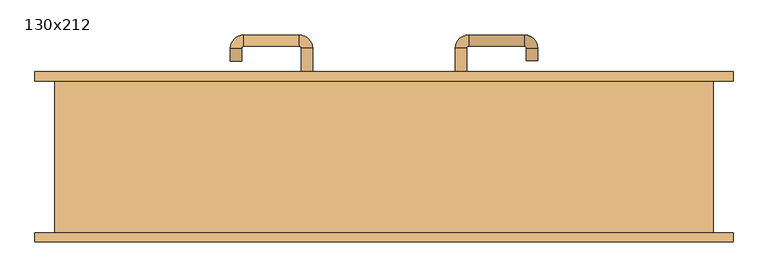
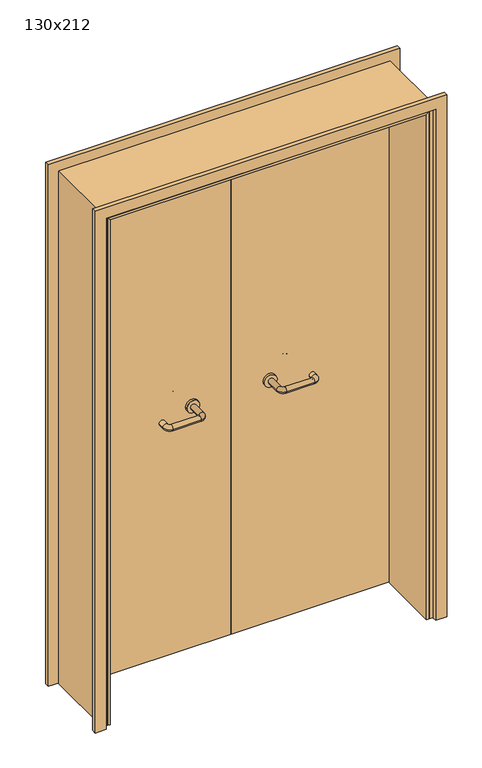
"""IFC4 building model written with IfcOpenShell, lengths in millimetres: door geometry, 130x212."""

import ifcopenshell
import ifcopenshell.guid

model = None  # the IFC model being written
_history = None  # IfcOwnerHistory: only IFC2X3 demands one
_inside = {}  # id of a spatial element -> (the spatial element, [elements in it])
_under = {}  # id of a project, library or spatial element -> (it, [spatial elements below it])
_declared = {}  # id of a project -> (the project, [libraries it declares])
_typed = {}  # id of a type object -> (the type object, [elements of that type])
_made_of = {}  # id of a material, layer set ... -> (it, [elements and type objects made of it])


def new_model(schema):
    """Start an empty IFC model of exactly this schema.

    Asked for "IFC4X3", IfcOpenShell would pick the latest addendum, in which some entities
    have other attributes; the version numbers below select the first issue.
    IFC2X3 requires an IfcOwnerHistory on every rooted entity: one is made here for all.
    """
    global model, _history
    if schema == "IFC4X3":
        model = ifcopenshell.file(schema_version=(4, 3, 0, 0))
    else:
        model = ifcopenshell.file(schema=schema)
    _inside.clear()
    _under.clear()
    _declared.clear()
    _typed.clear()
    _made_of.clear()
    _history = None
    if model.schema == "IFC2X3":
        org = make("IfcOrganization", Name="unknown")
        user = make(
            "IfcPersonAndOrganization",
            ThePerson=make("IfcPerson", FamilyName="unknown"),
            TheOrganization=org,
        )
        app = make(
            "IfcApplication",
            ApplicationDeveloper=org,
            Version="unknown",
            ApplicationFullName="unknown",
            ApplicationIdentifier="unknown",
        )
        _history = make(
            "IfcOwnerHistory",
            OwningUser=user,
            OwningApplication=app,
            ChangeAction="ADDED",
            CreationDate=0,
        )
    return model


def make(cls, **values):
    """One entity of the class cls with the attributes given. An attribute that is None is left unset."""
    return model.create_entity(
        cls, **{name: value for name, value in values.items() if value is not None}
    )


def rooted(cls, **values):
    """An entity with a GlobalId (a new one), such as an element, a storey or a relation."""
    return make(cls, GlobalId=ifcopenshell.guid.new(), OwnerHistory=_history, **values)


def si_unit(unit_type, name, prefix=None):
    """IfcSIUnit, for example si_unit("LENGTHUNIT", "METRE", prefix="MILLI")."""
    return make("IfcSIUnit", UnitType=unit_type, Prefix=prefix, Name=name)


def assignment(units):
    """IfcUnitAssignment: the units of a project."""
    return None if units is None else make("IfcUnitAssignment", Units=units)


def point(xyz):
    """IfcCartesianPoint."""
    return None if xyz is None else make("IfcCartesianPoint", Coordinates=xyz)


def direction(xyz):
    """IfcDirection."""
    return None if xyz is None else make("IfcDirection", DirectionRatios=xyz)


def frame(location, z_axis=None, x_axis=None):
    """IfcAxis2Placement3D, a coordinate frame: its origin and axes. An axis left out is left unset."""
    return make(
        "IfcAxis2Placement3D",
        Location=point(location),
        Axis=direction(z_axis),
        RefDirection=direction(x_axis),
    )


def frame_2d(location, x_axis=None):
    """IfcAxis2Placement2D, a coordinate frame in the plane: its origin and x axis."""
    return make(
        "IfcAxis2Placement2D", Location=point(location), RefDirection=direction(x_axis)
    )


def origin():
    """The frame at (0, 0, 0) with its axes left unset."""
    return frame((0.0, 0.0, 0.0))


def place(relative_to, where):
    """IfcLocalPlacement: puts the frame where relative to a parent placement (None: the world)."""
    return make(
        "IfcLocalPlacement", PlacementRelTo=relative_to, RelativePlacement=where
    )


def context(
    kind, dimensions, precision=None, world=None, true_north=None, identifier=None
):
    """IfcGeometricRepresentationContext, for example the 3D "Model" context."""
    return make(
        "IfcGeometricRepresentationContext",
        ContextIdentifier=identifier,
        ContextType=kind,
        CoordinateSpaceDimension=dimensions,
        Precision=precision,
        WorldCoordinateSystem=world,
        TrueNorth=true_north,
    )


def project(units=None, contexts=None):
    """IfcProject with its units and contexts."""
    return rooted(
        "IfcProject",
        Name="project",
        RepresentationContexts=contexts,
        UnitsInContext=assignment(units),
    )


def spatial(cls, under=None, at=None, **own):
    """A site, building, storey or space (cls), placed at a placement, below another one or the project."""
    s = rooted(cls, ObjectPlacement=at, **own)
    if under is not None:
        _under.setdefault(under.id(), (under, []))[1].append(s)
    return s


def polyline(points):
    """IfcPolyline through the points."""
    return make("IfcPolyline", Points=[point(p) for p in points])


def circle_curve(where, radius):
    """IfcCircle in the frame where."""
    return make("IfcCircle", Position=where, Radius=radius)


def ellipse_curve(where, semi_axis1, semi_axis2):
    """IfcEllipse in the frame where."""
    return make(
        "IfcEllipse", Position=where, SemiAxis1=semi_axis1, SemiAxis2=semi_axis2
    )


def trimmed(basis, trim1, trim2, sense, master):
    """IfcTrimmedCurve: the piece of a basis curve between two trims."""
    return make(
        "IfcTrimmedCurve",
        BasisCurve=basis,
        Trim1=trim1,
        Trim2=trim2,
        SenseAgreement=sense,
        MasterRepresentation=master,
    )


def segment(curve, same_sense, transition):
    """IfcCompositeCurveSegment."""
    return make(
        "IfcCompositeCurveSegment",
        Transition=transition,
        SameSense=same_sense,
        ParentCurve=curve,
    )


def composite_curve(segments, self_intersect=None):
    """IfcCompositeCurve: segments joined end to end."""
    return make("IfcCompositeCurve", Segments=segments, SelfIntersect=self_intersect)


def outline(outer, holes=None, kind="AREA"):
    """IfcArbitraryClosedProfileDef: a profile drawn as a closed curve; with holes, ...WithVoids."""
    if holes is None:
        return make("IfcArbitraryClosedProfileDef", ProfileType=kind, OuterCurve=outer)
    return make(
        "IfcArbitraryProfileDefWithVoids",
        ProfileType=kind,
        OuterCurve=outer,
        InnerCurves=holes,
    )


def extrude(swept, where, along, depth):
    """IfcExtrudedAreaSolid: the profile swept, set in the frame where, extruded along a direction by depth."""
    return make(
        "IfcExtrudedAreaSolid",
        SweptArea=swept,
        Position=where,
        ExtrudedDirection=direction(along),
        Depth=depth,
    )


def faces_of(points, faces, orient=None, outer=None):
    """IfcFace entities. A face is a list of loops; a loop is a list of indices into points, from 0.

    orient and outer hold one flag for each loop. By default every Orientation is true, the
    first loop of a face is its IfcFaceOuterBound and the others are IfcFaceBound.
    """
    made = []
    for i, loops in enumerate(faces):
        bounds = []
        for j, loop in enumerate(loops):
            is_outer = j == 0 if outer is None else outer[i][j]
            bounds.append(
                make(
                    "IfcFaceOuterBound" if is_outer else "IfcFaceBound",
                    Bound=make("IfcPolyLoop", Polygon=[points[k] for k in loop]),
                    Orientation=True if orient is None else orient[i][j],
                )
            )
        made.append(make("IfcFace", Bounds=bounds))
    return made


def faceted_brep(points, faces, orient=None, outer=None, voids=None):
    """IfcFacetedBrep: a solid bounded by flat faces; with voids (closed shells), ...WithVoids."""
    shared = [point(p) for p in points]
    hull = make("IfcClosedShell", CfsFaces=faces_of(shared, faces, orient, outer))
    if voids is None:
        return make("IfcFacetedBrep", Outer=hull)
    return make(
        "IfcFacetedBrepWithVoids",
        Outer=hull,
        Voids=[
            make(cls, CfsFaces=faces_of(shared, fs, o, b)) for cls, fs, o, b in voids
        ],
    )


def shape(context_of_items, identifier, shape_type, items):
    """IfcShapeRepresentation: the items that make up one representation, for example the "Body"."""
    return make(
        "IfcShapeRepresentation",
        ContextOfItems=context_of_items,
        RepresentationIdentifier=identifier,
        RepresentationType=shape_type,
        Items=items,
    )


def source(mapping_origin, context_of_items, identifier, shape_type, items):
    """IfcRepresentationMap: a shape defined once, which mapped items show again and again."""
    return make(
        "IfcRepresentationMap",
        MappingOrigin=mapping_origin,
        MappedRepresentation=shape(context_of_items, identifier, shape_type, items),
    )


def transform(
    local_origin,
    x_axis=None,
    y_axis=None,
    z_axis=None,
    scale=None,
    scale2=None,
    scale3=None,
    uniform=True,
):
    """IfcCartesianTransformationOperator3D, or its non-uniform kind. x_axis, y_axis, z_axis: its Axis1, 2, 3."""
    if uniform:
        return make(
            "IfcCartesianTransformationOperator3D",
            Axis1=direction(x_axis),
            Axis2=direction(y_axis),
            LocalOrigin=point(local_origin),
            Scale=scale,
            Axis3=direction(z_axis),
        )
    return make(
        "IfcCartesianTransformationOperator3DnonUniform",
        Axis1=direction(x_axis),
        Axis2=direction(y_axis),
        LocalOrigin=point(local_origin),
        Scale=scale,
        Axis3=direction(z_axis),
        Scale2=scale2,
        Scale3=scale3,
    )


def mapped(mapping_source, mapping_target):
    """IfcMappedItem: shows the shape of a source again, moved by a transform."""
    return make(
        "IfcMappedItem", MappingSource=mapping_source, MappingTarget=mapping_target
    )


def made_of(thing, what):
    """Note that an element or type object is made of a material, layer set ...; save() writes the relation."""
    if what is not None:
        _made_of.setdefault(what.id(), (what, []))[1].append(thing)
    return thing


def element(
    cls,
    number,
    at=None,
    inside=None,
    cuts=None,
    type_object=None,
    material=None,
    context=None,
    identifier="Body",
    shape_type=None,
    held_by="IfcProductDefinitionShape",
    body=None,
    shapes=None,
    **own,
):
    """One element of the class cls, such as IfcWall. Its Tag is "e" and its number.

    at: its placement. inside: the storey or other place that contains it. cuts: it is an
    opening in that element (IfcRelVoidsElement). A single representation is given by context,
    identifier, shape_type and body (its items); several are given by shapes. held_by: the class
    of the entity that holds the representations. save() writes the other relations.
    """
    e = rooted(cls, Tag="e%d" % number, ObjectPlacement=at, **own)
    if body is not None:
        shapes = [shape(context, identifier, shape_type, body)]
    if shapes is not None:
        e.Representation = make(held_by, Representations=shapes)
    if inside is not None:
        _inside.setdefault(inside.id(), (inside, []))[1].append(e)
    if cuts is not None:
        rooted(
            "IfcRelVoidsElement", RelatingBuildingElement=cuts, RelatedOpeningElement=e
        )
    if type_object is not None:
        _typed.setdefault(type_object.id(), (type_object, []))[1].append(e)
    return made_of(e, material)


def aggregate(whole, parts):
    """IfcRelAggregates: a whole, such as a stair, and the parts it consists of."""
    return rooted("IfcRelAggregates", RelatingObject=whole, RelatedObjects=parts)


def save(model, path):
    """Write the relations noted so far, then the file.

    IfcRelAggregates (storeys below a building ...), IfcRelContainedInSpatialStructure (elements
    in a storey), IfcRelDefinesByType, IfcRelAssociatesMaterial and IfcRelDeclares: one each for
    every whole, place, type object, material and project.
    """
    for whole, parts in _under.values():
        aggregate(whole, parts)
    for where, things in _inside.values():
        rooted(
            "IfcRelContainedInSpatialStructure",
            RelatedElements=things,
            RelatingStructure=where,
        )
    for kind, things in _typed.values():
        rooted("IfcRelDefinesByType", RelatedObjects=things, RelatingType=kind)
    for what, things in _made_of.values():
        rooted("IfcRelAssociatesMaterial", RelatedObjects=things, RelatingMaterial=what)
    for by, libraries in _declared.values():
        rooted("IfcRelDeclares", RelatingContext=by, RelatedDefinitions=libraries)
    model.write(path)


def plane_surface(at):
    """IfcPlane: the flat surface through the origin of the frame at, square to its z axis."""
    return make("IfcPlane", Position=at)


def cylinder_surface(at, radius):
    """IfcCylindricalSurface: all points at the distance radius from the z axis of the frame at."""
    return make("IfcCylindricalSurface", Position=at, Radius=radius)


def revolved_surface(curve, axis_point, axis_direction):
    """IfcSurfaceOfRevolution: the curve turned about the line through axis_point along axis_direction."""
    return make(
        "IfcSurfaceOfRevolution",
        SweptCurve=make("IfcArbitraryOpenProfileDef", ProfileType="CURVE", Curve=curve),
        AxisPosition=make("IfcAxis1Placement", Location=point(axis_point), Axis=direction(axis_direction)),
    )


def advanced_brep(points, edges, surfaces, faces):
    """IfcAdvancedBrep: a solid bounded by faces that lie on surfaces and meet in shared edges.

    An edge is (start, end): straight between two places in points (the first is 0);
    or (start, end, curve); or (start, end, curve, False) where it runs against its curve.
    A face is (place in surfaces, loops), or (place, loops, False) where it looks against
    its surface's normal. A loop lists edges by number (the first is 1), with a minus sign
    where the edge is run from its end to its start. The first loop is the outer one.
    """
    corners = [point(p) for p in points]
    vertices = [make("IfcVertexPoint", VertexGeometry=c) for c in corners]
    made = []
    for start, end, *more in edges:
        made.append(
            make(
                "IfcEdgeCurve",
                EdgeStart=vertices[start],
                EdgeEnd=vertices[end],
                EdgeGeometry=more[0] if more else make("IfcPolyline", Points=[corners[start], corners[end]]),
                SameSense=more[1] if len(more) > 1 else True,
            )
        )
    hull = []
    for where, loops, *sense in faces:
        bounds = []
        for j, loop in enumerate(loops):
            ring = [make("IfcOrientedEdge", EdgeElement=made[abs(k) - 1], Orientation=k > 0) for k in loop]
            bounds.append(
                make(
                    "IfcFaceOuterBound" if j == 0 else "IfcFaceBound",
                    Bound=make("IfcEdgeLoop", EdgeList=ring),
                    Orientation=True,
                )
            )
        hull.append(make("IfcAdvancedFace", Bounds=bounds, FaceSurface=surfaces[where], SameSense=sense[0] if sense else True))
    return make("IfcAdvancedBrep", Outer=make("IfcClosedShell", CfsFaces=hull))


def door_130x212_624b53a4(model_context):
    return source(origin(), model_context, "Body", "SolidModel", [
        faceted_brep([(-620.0, 103.0, 0.0), (-620.0, -149.9, 0.0), (-630.0, -149.9, 0.0), (-630.0, 103.0, 0.0), (-620.0, 103.0, 2090.0), (-620.0, -149.9, 2090.0), (-630.0, -149.9, 2100.0), (-630.0, 103.0, 2100.0), (620.0, 103.0, 0.0), (630.0, 103.0, 0.0), (630.0, -149.9, 0.0), (620.0, -149.9, 0.0), (620.0, 103.0, 2090.0), (630.0, 103.0, 2100.0), (630.0, -149.9, 2100.0), (620.0, -149.9, 2090.0)], [[[0, 1, 2, 3]], [[1, 0, 4, 5]], [[2, 1, 5, 6]], [[3, 2, 6, 7]], [[0, 3, 7, 4]], [[8, 9, 10, 11]], [[12, 13, 9, 8]], [[13, 14, 10, 9]], [[14, 15, 11, 10]], [[15, 12, 8, 11]], [[5, 4, 12, 15]], [[6, 5, 15, 14]], [[7, 6, 14, 13]], [[4, 7, 13, 12]]]),
        extrude(outline(polyline([(2159.0, 689.0), (2159.0, -689.0), (0.0, -689.0), (0.0, -645.0), (2115.0, -645.0), (2115.0, 645.0), (0.0, 645.0), (0.0, 689.0), (2159.0, 689.0)])), frame((0.0, 150.0, 0.0), z_axis=(0.0, 1.0, 0.0), x_axis=(0.0, 0.0, 1.0)), (0.0, 0.0, 1.0), 18.0),
        extrude(outline(polyline([(2159.0, -689.0), (0.0, -689.0), (0.0, -645.0), (2115.0, -645.0), (2115.0, 645.0), (0.0, 645.0), (0.0, 689.0), (2159.0, 689.0), (2159.0, -689.0)])), frame((0.0, -168.0, 0.0), z_axis=(0.0, 1.0, 0.0), x_axis=(0.0, 0.0, 1.0)), (0.0, 0.0, 1.0), 18.0),
        extrude(outline(polyline([(2120.0, -650.0), (0.0, -650.0), (0.0, -630.0), (2100.0, -630.0), (2100.0, 630.0), (0.0, 630.0), (0.0, 650.0), (2120.0, 650.0), (2120.0, -650.0)])), frame((0.0, -149.9, 0.0), z_axis=(0.0, 1.0, 0.0), x_axis=(0.0, 0.0, 1.0)), (0.0, 0.0, 1.0), 299.9),
        advanced_brep(
        [(140.99898, 96.0, 1003.0), (162.99898, 96.0, 1003.0), (140.99898, 40.6474631, 1003.0), (162.99898, 40.6474631, 1003.0), (166.99898, 36.6474631, 1003.0), (166.99898, 14.6474631, 1003.0), (276.99898, 14.6474631, 1003.0), (276.99898, 36.6474631, 1003.0), (280.99898, 40.6474631, 1003.0), (302.99898, 40.6474631, 1003.0), (302.99898, 58.0, 1003.0), (280.99898, 58.0, 1003.0)],
        [
            (0, 1, circle_curve(frame((151.99898, 96.0, 1003.0), z_axis=(0.0, 1.0, 0.0), x_axis=(1.0, 0.0, 0.0)), 11.0)),
            (1, 0, circle_curve(frame((151.99898, 96.0, 1003.0), z_axis=(0.0, 1.0, 0.0), x_axis=(1.0, 0.0, 0.0)), 11.0)),
            (0, 2),
            (2, 3, circle_curve(frame((151.99898, 40.6474631, 1003.0), z_axis=(0.0, 1.0, 0.0), x_axis=(1.0, 0.0, 0.0)), 11.0)),
            (3, 1),
            (3, 2, circle_curve(frame((151.99898, 40.6474631, 1003.0), z_axis=(0.0, 1.0, 0.0), x_axis=(1.0, 0.0, 0.0)), 11.0)),
            (4, 3, circle_curve(frame((166.99898, 40.6474631, 1003.0), z_axis=(0.0, 0.0, -1.0), x_axis=(-1.0, 0.0, 0.0)), 4.0)),
            (2, 5, circle_curve(frame((166.99898, 40.6474631, 1003.0), z_axis=(0.0, 0.0, 1.0), x_axis=(-1.0, 0.0, 0.0)), 26.0)),
            (5, 4, circle_curve(frame((166.99898, 25.6474631, 1003.0), z_axis=(-1.0, 0.0, 0.0), x_axis=(0.0, 1.0, 0.0)), 11.0)),
            (4, 5, circle_curve(frame((166.99898, 25.6474631, 1003.0), z_axis=(-1.0, 0.0, 0.0), x_axis=(0.0, 1.0, 0.0)), 11.0)),
            (5, 6),
            (6, 7, circle_curve(frame((276.99898, 25.6474631, 1003.0), z_axis=(-1.0, 0.0, 0.0), x_axis=(0.0, 1.0, 0.0)), 11.0)),
            (7, 4),
            (7, 6, circle_curve(frame((276.99898, 25.6474631, 1003.0), z_axis=(-1.0, 0.0, 0.0), x_axis=(0.0, 1.0, 0.0)), 11.0)),
            (8, 7, circle_curve(frame((276.99898, 40.6474631, 1003.0), z_axis=(0.0, 0.0, -1.0), x_axis=(0.0, -1.0, 0.0)), 4.0)),
            (6, 9, circle_curve(frame((276.99898, 40.6474631, 1003.0), z_axis=(0.0, 0.0, 1.0), x_axis=(0.0, -1.0, 0.0)), 26.0)),
            (9, 8, circle_curve(frame((291.99898, 40.6474631, 1003.0), z_axis=(0.0, -1.0, 0.0), x_axis=(-1.0, 0.0, 0.0)), 11.0)),
            (8, 9, circle_curve(frame((291.99898, 40.6474631, 1003.0), z_axis=(0.0, -1.0, 0.0), x_axis=(-1.0, 0.0, 0.0)), 11.0)),
            (10, 11, circle_curve(frame((291.99898, 58.0, 1003.0), z_axis=(0.0, 1.0, 0.0), x_axis=(-1.0, 0.0, 0.0)), 11.0)),
            (11, 10, circle_curve(frame((291.99898, 58.0, 1003.0), z_axis=(0.0, 1.0, 0.0), x_axis=(-1.0, 0.0, 0.0)), 11.0)),
            (9, 10),
            (11, 8),
        ],
        [
            plane_surface(frame((140.99898, 96.0, 1003.0), z_axis=(0.0, 1.0, 0.0), x_axis=(0.0, 0.0, -1.0))),
            cylinder_surface(frame((151.99898, 96.0, 1003.0), z_axis=(0.0, 1.0, 0.0), x_axis=(1.0, 0.0, 0.0)), 11.0),
            revolved_surface(trimmed(ellipse_curve(frame((151.99898, 40.6474631, 1003.0), z_axis=(0.0, 1.0, 0.0), x_axis=(1.0, 0.0, 0.0)), 11.0, 11.0), [point((140.99898, 40.6474631, 1003.0))], [point((162.99898, 40.6474631, 1003.0))], True, "CARTESIAN"), (166.99898, 40.6474631, 1003.0), (0.0, 0.0, 1.0)),
            revolved_surface(trimmed(ellipse_curve(frame((151.99898, 40.6474631, 1003.0), z_axis=(0.0, 1.0, 0.0), x_axis=(1.0, 0.0, 0.0)), 11.0, 11.0), [point((162.99898, 40.6474631, 1003.0))], [point((140.99898, 40.6474631, 1003.0))], True, "CARTESIAN"), (166.99898, 40.6474631, 1003.0), (0.0, 0.0, 1.0)),
            cylinder_surface(frame((166.99898, 25.6474631, 1003.0), z_axis=(-1.0, 0.0, 0.0), x_axis=(0.0, 1.0, 0.0)), 11.0),
            revolved_surface(trimmed(ellipse_curve(frame((276.99898, 25.6474631, 1003.0), z_axis=(-1.0, 0.0, 0.0), x_axis=(0.0, 1.0, 0.0)), 11.0, 11.0), [point((276.99898, 14.6474631, 1003.0))], [point((276.99898, 36.6474631, 1003.0))], True, "CARTESIAN"), (276.99898, 40.6474631, 1003.0), (0.0, 0.0, 1.0)),
            revolved_surface(trimmed(ellipse_curve(frame((276.99898, 25.6474631, 1003.0), z_axis=(-1.0, 0.0, 0.0), x_axis=(0.0, 1.0, 0.0)), 11.0, 11.0), [point((276.99898, 36.6474631, 1003.0))], [point((276.99898, 14.6474631, 1003.0))], True, "CARTESIAN"), (276.99898, 40.6474631, 1003.0), (0.0, 0.0, 1.0)),
            plane_surface(frame((280.99898, 58.0, 1003.0), z_axis=(0.0, 1.0, 0.0), x_axis=(0.0, 0.0, 1.0))),
            cylinder_surface(frame((291.99898, 40.6474631, 1003.0), z_axis=(0.0, -1.0, 0.0), x_axis=(-1.0, 0.0, 0.0)), 11.0),
        ],
        [
            (0, [[1, 2]]),
            (1, [[-1, 3, 4, 5]]),
            (1, [[-2, -5, 6, -3]]),
            (2, [[7, -4, 8, 9]]),
            (3, [[-8, -6, -7, 10]]),
            (4, [[-9, 11, 12, 13]]),
            (4, [[-10, -13, 14, -11]]),
            (5, [[15, -12, 16, 17]]),
            (6, [[-16, -14, -15, 18]]),
            (7, [[19, 20]]),
            (8, [[-17, 21, -20, 22]]),
            (8, [[-18, -22, -19, -21]]),
        ],
    ),
        extrude(outline(composite_curve([segment(trimmed(circle_curve(frame_2d((1003.0, 151.99898)), 25.0), [point((1003.0, 126.99898))], [point((1003.0, 176.99898))], False, "CARTESIAN"), True, "CONTINUOUS"), segment(trimmed(circle_curve(frame_2d((1003.0, 151.99898)), 25.0), [point((1003.0, 176.99898))], [point((1003.0, 126.99898))], False, "CARTESIAN"), True, "CONTINUOUS")], self_intersect=False)), frame((0.0, 96.0, 0.0), z_axis=(0.0, 1.0, 0.0), x_axis=(0.0, 0.0, 1.0)), (0.0, 0.0, 1.0), 10.0),
        advanced_brep(
        [(162.99898, 160.0, 1003.0), (140.99898, 160.0, 1003.0), (162.99898, 215.0, 1003.0), (140.99898, 215.0, 1003.0), (166.99898, 241.0, 1003.0), (166.99898, 219.0, 1003.0), (276.99898, 219.0, 1003.0), (276.99898, 241.0, 1003.0), (302.99898, 215.0, 1003.0), (280.99898, 215.0, 1003.0), (280.99898, 190.0, 1003.0), (302.99898, 190.0, 1003.0)],
        [
            (0, 1, circle_curve(frame((151.99898, 160.0, 1003.0), z_axis=(0.0, -1.0, 0.0), x_axis=(-1.0, 0.0, 0.0)), 11.0)),
            (1, 0, circle_curve(frame((151.99898, 160.0, 1003.0), z_axis=(0.0, -1.0, 0.0), x_axis=(-1.0, 0.0, 0.0)), 11.0)),
            (0, 2),
            (2, 3, circle_curve(frame((151.99898, 215.0, 1003.0), z_axis=(0.0, -1.0, 0.0), x_axis=(-1.0, 0.0, 0.0)), 11.0)),
            (3, 1),
            (3, 2, circle_curve(frame((151.99898, 215.0, 1003.0), z_axis=(0.0, -1.0, 0.0), x_axis=(-1.0, 0.0, 0.0)), 11.0)),
            (4, 3, circle_curve(frame((166.99898, 215.0, 1003.0), z_axis=(0.0, 0.0, 1.0), x_axis=(-1.0, 0.0, 0.0)), 26.0)),
            (2, 5, circle_curve(frame((166.99898, 215.0, 1003.0), z_axis=(0.0, 0.0, -1.0), x_axis=(-1.0, 0.0, 0.0)), 4.0)),
            (5, 4, circle_curve(frame((166.99898, 230.0, 1003.0), z_axis=(-1.0, 0.0, 0.0), x_axis=(0.0, 1.0, 0.0)), 11.0)),
            (4, 5, circle_curve(frame((166.99898, 230.0, 1003.0), z_axis=(-1.0, 0.0, 0.0), x_axis=(0.0, 1.0, 0.0)), 11.0)),
            (5, 6),
            (6, 7, circle_curve(frame((276.99898, 230.0, 1003.0), z_axis=(-1.0, 0.0, 0.0), x_axis=(0.0, 1.0, 0.0)), 11.0)),
            (7, 4),
            (7, 6, circle_curve(frame((276.99898, 230.0, 1003.0), z_axis=(-1.0, 0.0, 0.0), x_axis=(0.0, 1.0, 0.0)), 11.0)),
            (8, 7, circle_curve(frame((276.99898, 215.0, 1003.0), z_axis=(0.0, 0.0, 1.0), x_axis=(0.0, 1.0, 0.0)), 26.0)),
            (6, 9, circle_curve(frame((276.99898, 215.0, 1003.0), z_axis=(0.0, 0.0, -1.0), x_axis=(0.0, 1.0, 0.0)), 4.0)),
            (9, 8, circle_curve(frame((291.99898, 215.0, 1003.0), z_axis=(0.0, 1.0, 0.0), x_axis=(1.0, 0.0, 0.0)), 11.0)),
            (8, 9, circle_curve(frame((291.99898, 215.0, 1003.0), z_axis=(0.0, 1.0, 0.0), x_axis=(1.0, 0.0, 0.0)), 11.0)),
            (10, 11, circle_curve(frame((291.99898, 190.0, 1003.0), z_axis=(0.0, -1.0, 0.0), x_axis=(1.0, 0.0, 0.0)), 11.0)),
            (11, 10, circle_curve(frame((291.99898, 190.0, 1003.0), z_axis=(0.0, -1.0, 0.0), x_axis=(1.0, 0.0, 0.0)), 11.0)),
            (9, 10),
            (11, 8),
        ],
        [
            plane_surface(frame((140.99898, 160.0, 1003.0), z_axis=(0.0, -1.0, 0.0), x_axis=(0.0, 0.0, 1.0))),
            cylinder_surface(frame((151.99898, 160.0, 1003.0), z_axis=(0.0, -1.0, 0.0), x_axis=(-1.0, 0.0, 0.0)), 11.0),
            revolved_surface(trimmed(ellipse_curve(frame((151.99898, 215.0, 1003.0), z_axis=(0.0, -1.0, 0.0), x_axis=(-1.0, 0.0, 0.0)), 11.0, 11.0), [point((162.99898, 215.0, 1003.0))], [point((140.99898, 215.0, 1003.0))], True, "CARTESIAN"), (166.99898, 215.0, 1003.0), (0.0, 0.0, -1.0)),
            revolved_surface(trimmed(ellipse_curve(frame((151.99898, 215.0, 1003.0), z_axis=(0.0, -1.0, 0.0), x_axis=(-1.0, 0.0, 0.0)), 11.0, 11.0), [point((140.99898, 215.0, 1003.0))], [point((162.99898, 215.0, 1003.0))], True, "CARTESIAN"), (166.99898, 215.0, 1003.0), (0.0, 0.0, -1.0)),
            cylinder_surface(frame((166.99898, 230.0, 1003.0), z_axis=(-1.0, 0.0, 0.0), x_axis=(0.0, 1.0, 0.0)), 11.0),
            revolved_surface(trimmed(ellipse_curve(frame((276.99898, 230.0, 1003.0), z_axis=(-1.0, 0.0, 0.0), x_axis=(0.0, 1.0, 0.0)), 11.0, 11.0), [point((276.99898, 219.0, 1003.0))], [point((276.99898, 241.0, 1003.0))], True, "CARTESIAN"), (276.99898, 215.0, 1003.0), (0.0, 0.0, -1.0)),
            revolved_surface(trimmed(ellipse_curve(frame((276.99898, 230.0, 1003.0), z_axis=(-1.0, 0.0, 0.0), x_axis=(0.0, 1.0, 0.0)), 11.0, 11.0), [point((276.99898, 241.0, 1003.0))], [point((276.99898, 219.0, 1003.0))], True, "CARTESIAN"), (276.99898, 215.0, 1003.0), (0.0, 0.0, -1.0)),
            plane_surface(frame((280.99898, 190.0, 1003.0), z_axis=(0.0, -1.0, 0.0), x_axis=(0.0, 0.0, -1.0))),
            cylinder_surface(frame((291.99898, 215.0, 1003.0), z_axis=(0.0, 1.0, 0.0), x_axis=(1.0, 0.0, 0.0)), 11.0),
        ],
        [
            (0, [[1, 2]]),
            (1, [[-1, 3, 4, 5]]),
            (1, [[-2, -5, 6, -3]]),
            (2, [[7, -4, 8, 9]]),
            (3, [[-8, -6, -7, 10]]),
            (4, [[-9, 11, 12, 13]]),
            (4, [[-10, -13, 14, -11]]),
            (5, [[15, -12, 16, 17]]),
            (6, [[-16, -14, -15, 18]]),
            (7, [[19, 20]]),
            (8, [[-17, 21, -20, 22]]),
            (8, [[-18, -22, -19, -21]]),
        ],
    ),
        extrude(outline(composite_curve([segment(trimmed(circle_curve(frame_2d((1003.0, 151.99898)), 25.0), [point((1003.0, 176.99898))], [point((1003.0, 126.99898))], False, "CARTESIAN"), True, "CONTINUOUS"), segment(trimmed(circle_curve(frame_2d((1003.0, 151.99898)), 25.0), [point((1003.0, 126.99898))], [point((1003.0, 176.99898))], False, "CARTESIAN"), True, "CONTINUOUS")], self_intersect=False)), frame((0.0, 150.0, 0.0), z_axis=(0.0, 1.0, 0.0), x_axis=(0.0, 0.0, 1.0)), (0.0, 0.0, 1.0), 10.0),
        advanced_brep(
        [(-162.99898, 95.6886121, 1003.0), (-140.99898, 95.6886121, 1003.0), (-162.99898, 40.2779553, 1003.0), (-140.99898, 40.2779553, 1003.0), (-166.99898, 14.2779553, 1003.0), (-166.99898, 36.2779553, 1003.0), (-276.99898, 36.2779553, 1003.0), (-276.99898, 14.2779553, 1003.0), (-302.99898, 40.2779553, 1003.0), (-280.99898, 40.2779553, 1003.0), (-280.99898, 65.2779553, 1003.0), (-302.99898, 65.2779553, 1003.0)],
        [
            (0, 1, circle_curve(frame((-151.99898, 95.6886121, 1003.0), z_axis=(0.0, 1.0, 0.0), x_axis=(1.0, 0.0, 0.0)), 11.0)),
            (1, 0, circle_curve(frame((-151.99898, 95.6886121, 1003.0), z_axis=(0.0, 1.0, 0.0), x_axis=(1.0, 0.0, 0.0)), 11.0)),
            (0, 2),
            (2, 3, circle_curve(frame((-151.99898, 40.2779553, 1003.0), z_axis=(0.0, 1.0, 0.0), x_axis=(1.0, 0.0, 0.0)), 11.0)),
            (3, 1),
            (3, 2, circle_curve(frame((-151.99898, 40.2779553, 1003.0), z_axis=(0.0, 1.0, 0.0), x_axis=(1.0, 0.0, 0.0)), 11.0)),
            (4, 3, circle_curve(frame((-166.99898, 40.2779553, 1003.0), z_axis=(0.0, 0.0, 1.0), x_axis=(1.0, 0.0, 0.0)), 26.0)),
            (2, 5, circle_curve(frame((-166.99898, 40.2779553, 1003.0), z_axis=(0.0, 0.0, -1.0), x_axis=(1.0, 0.0, 0.0)), 4.0)),
            (5, 4, circle_curve(frame((-166.99898, 25.2779553, 1003.0), z_axis=(1.0, 0.0, 0.0), x_axis=(0.0, -1.0, 0.0)), 11.0)),
            (4, 5, circle_curve(frame((-166.99898, 25.2779553, 1003.0), z_axis=(1.0, 0.0, 0.0), x_axis=(0.0, -1.0, 0.0)), 11.0)),
            (5, 6),
            (6, 7, circle_curve(frame((-276.99898, 25.2779553, 1003.0), z_axis=(1.0, 0.0, 0.0), x_axis=(0.0, -1.0, 0.0)), 11.0)),
            (7, 4),
            (7, 6, circle_curve(frame((-276.99898, 25.2779553, 1003.0), z_axis=(1.0, 0.0, 0.0), x_axis=(0.0, -1.0, 0.0)), 11.0)),
            (8, 7, circle_curve(frame((-276.99898, 40.2779553, 1003.0), z_axis=(0.0, 0.0, 1.0), x_axis=(0.0, -1.0, 0.0)), 26.0)),
            (6, 9, circle_curve(frame((-276.99898, 40.2779553, 1003.0), z_axis=(0.0, 0.0, -1.0), x_axis=(0.0, -1.0, 0.0)), 4.0)),
            (9, 8, circle_curve(frame((-291.99898, 40.2779553, 1003.0), z_axis=(0.0, -1.0, 0.0), x_axis=(-1.0, 0.0, 0.0)), 11.0)),
            (8, 9, circle_curve(frame((-291.99898, 40.2779553, 1003.0), z_axis=(0.0, -1.0, 0.0), x_axis=(-1.0, 0.0, 0.0)), 11.0)),
            (10, 11, circle_curve(frame((-291.99898, 65.2779553, 1003.0), z_axis=(0.0, 1.0, 0.0), x_axis=(-1.0, 0.0, 0.0)), 11.0)),
            (11, 10, circle_curve(frame((-291.99898, 65.2779553, 1003.0), z_axis=(0.0, 1.0, 0.0), x_axis=(-1.0, 0.0, 0.0)), 11.0)),
            (9, 10),
            (11, 8),
        ],
        [
            plane_surface(frame((-162.99898, 95.6886121, 1003.0), z_axis=(0.0, 1.0, 0.0), x_axis=(0.0, 0.0, -1.0))),
            cylinder_surface(frame((-151.99898, 95.6886121, 1003.0), z_axis=(0.0, 1.0, 0.0), x_axis=(1.0, 0.0, 0.0)), 11.0),
            revolved_surface(trimmed(ellipse_curve(frame((-151.99898, 40.2779553, 1003.0), z_axis=(0.0, 1.0, 0.0), x_axis=(1.0, 0.0, 0.0)), 11.0, 11.0), [point((-162.99898, 40.2779553, 1003.0))], [point((-140.99898, 40.2779553, 1003.0))], True, "CARTESIAN"), (-166.99898, 40.2779553, 1003.0), (0.0, 0.0, -1.0)),
            revolved_surface(trimmed(ellipse_curve(frame((-151.99898, 40.2779553, 1003.0), z_axis=(0.0, 1.0, 0.0), x_axis=(1.0, 0.0, 0.0)), 11.0, 11.0), [point((-140.99898, 40.2779553, 1003.0))], [point((-162.99898, 40.2779553, 1003.0))], True, "CARTESIAN"), (-166.99898, 40.2779553, 1003.0), (0.0, 0.0, -1.0)),
            cylinder_surface(frame((-166.99898, 25.2779553, 1003.0), z_axis=(1.0, 0.0, 0.0), x_axis=(0.0, -1.0, 0.0)), 11.0),
            revolved_surface(trimmed(ellipse_curve(frame((-276.99898, 25.2779553, 1003.0), z_axis=(1.0, 0.0, 0.0), x_axis=(0.0, -1.0, 0.0)), 11.0, 11.0), [point((-276.99898, 36.2779553, 1003.0))], [point((-276.99898, 14.2779553, 1003.0))], True, "CARTESIAN"), (-276.99898, 40.2779553, 1003.0), (0.0, 0.0, -1.0)),
            revolved_surface(trimmed(ellipse_curve(frame((-276.99898, 25.2779553, 1003.0), z_axis=(1.0, 0.0, 0.0), x_axis=(0.0, -1.0, 0.0)), 11.0, 11.0), [point((-276.99898, 14.2779553, 1003.0))], [point((-276.99898, 36.2779553, 1003.0))], True, "CARTESIAN"), (-276.99898, 40.2779553, 1003.0), (0.0, 0.0, -1.0)),
            plane_surface(frame((-302.99898, 65.2779553, 1003.0), z_axis=(0.0, 1.0, 0.0), x_axis=(0.0, 0.0, 1.0))),
            cylinder_surface(frame((-291.99898, 40.2779553, 1003.0), z_axis=(0.0, -1.0, 0.0), x_axis=(-1.0, 0.0, 0.0)), 11.0),
        ],
        [
            (0, [[1, 2]]),
            (1, [[-1, 3, 4, 5]]),
            (1, [[-2, -5, 6, -3]]),
            (2, [[7, -4, 8, 9]]),
            (3, [[-8, -6, -7, 10]]),
            (4, [[-9, 11, 12, 13]]),
            (4, [[-10, -13, 14, -11]]),
            (5, [[15, -12, 16, 17]]),
            (6, [[-16, -14, -15, 18]]),
            (7, [[19, 20]]),
            (8, [[-17, 21, -20, 22]]),
            (8, [[-18, -22, -19, -21]]),
        ],
    ),
        extrude(outline(composite_curve([segment(trimmed(circle_curve(frame_2d((1003.0, -151.99898)), 25.0), [point((1003.0, -176.99898))], [point((1003.0, -126.99898))], False, "CARTESIAN"), True, "CONTINUOUS"), segment(trimmed(circle_curve(frame_2d((1003.0, -151.99898)), 25.0), [point((1003.0, -126.99898))], [point((1003.0, -176.99898))], False, "CARTESIAN"), True, "CONTINUOUS")], self_intersect=False)), frame((0.0, 95.6886121, 0.0), z_axis=(0.0, 1.0, 0.0), x_axis=(0.0, 0.0, 1.0)), (0.0, 0.0, 1.0), 10.3113879),
        advanced_brep(
        [(-140.99898, 159.5143417, 1003.0), (-162.99898, 159.5143417, 1003.0), (-140.99898, 214.6104656, 1003.0), (-162.99898, 214.6104656, 1003.0), (-166.99898, 218.6104656, 1003.0), (-166.99898, 240.6104656, 1003.0), (-276.99898, 240.6104656, 1003.0), (-276.99898, 218.6104656, 1003.0), (-280.99898, 214.6104656, 1003.0), (-302.99898, 214.6104656, 1003.0), (-302.99898, 189.6104656, 1003.0), (-280.99898, 189.6104656, 1003.0)],
        [
            (0, 1, circle_curve(frame((-151.99898, 159.5143417, 1003.0), z_axis=(0.0, -1.0, 0.0), x_axis=(-1.0, 0.0, 0.0)), 11.0)),
            (1, 0, circle_curve(frame((-151.99898, 159.5143417, 1003.0), z_axis=(0.0, -1.0, 0.0), x_axis=(-1.0, 0.0, 0.0)), 11.0)),
            (0, 2),
            (2, 3, circle_curve(frame((-151.99898, 214.6104656, 1003.0), z_axis=(0.0, -1.0, 0.0), x_axis=(-1.0, 0.0, 0.0)), 11.0)),
            (3, 1),
            (3, 2, circle_curve(frame((-151.99898, 214.6104656, 1003.0), z_axis=(0.0, -1.0, 0.0), x_axis=(-1.0, 0.0, 0.0)), 11.0)),
            (4, 3, circle_curve(frame((-166.99898, 214.6104656, 1003.0), z_axis=(0.0, 0.0, -1.0), x_axis=(1.0, 0.0, 0.0)), 4.0)),
            (2, 5, circle_curve(frame((-166.99898, 214.6104656, 1003.0), z_axis=(0.0, 0.0, 1.0), x_axis=(1.0, 0.0, 0.0)), 26.0)),
            (5, 4, circle_curve(frame((-166.99898, 229.6104656, 1003.0), z_axis=(1.0, 0.0, 0.0), x_axis=(0.0, -1.0, 0.0)), 11.0)),
            (4, 5, circle_curve(frame((-166.99898, 229.6104656, 1003.0), z_axis=(1.0, 0.0, 0.0), x_axis=(0.0, -1.0, 0.0)), 11.0)),
            (5, 6),
            (6, 7, circle_curve(frame((-276.99898, 229.6104656, 1003.0), z_axis=(1.0, 0.0, 0.0), x_axis=(0.0, -1.0, 0.0)), 11.0)),
            (7, 4),
            (7, 6, circle_curve(frame((-276.99898, 229.6104656, 1003.0), z_axis=(1.0, 0.0, 0.0), x_axis=(0.0, -1.0, 0.0)), 11.0)),
            (8, 7, circle_curve(frame((-276.99898, 214.6104656, 1003.0), z_axis=(0.0, 0.0, -1.0), x_axis=(0.0, 1.0, 0.0)), 4.0)),
            (6, 9, circle_curve(frame((-276.99898, 214.6104656, 1003.0), z_axis=(0.0, 0.0, 1.0), x_axis=(0.0, 1.0, 0.0)), 26.0)),
            (9, 8, circle_curve(frame((-291.99898, 214.6104656, 1003.0), z_axis=(0.0, 1.0, 0.0), x_axis=(1.0, 0.0, 0.0)), 11.0)),
            (8, 9, circle_curve(frame((-291.99898, 214.6104656, 1003.0), z_axis=(0.0, 1.0, 0.0), x_axis=(1.0, 0.0, 0.0)), 11.0)),
            (10, 11, circle_curve(frame((-291.99898, 189.6104656, 1003.0), z_axis=(0.0, -1.0, 0.0), x_axis=(1.0, 0.0, 0.0)), 11.0)),
            (11, 10, circle_curve(frame((-291.99898, 189.6104656, 1003.0), z_axis=(0.0, -1.0, 0.0), x_axis=(1.0, 0.0, 0.0)), 11.0)),
            (9, 10),
            (11, 8),
        ],
        [
            plane_surface(frame((-162.99898, 159.5143417, 1003.0), z_axis=(0.0, -1.0, 0.0), x_axis=(0.0, 0.0, 1.0))),
            cylinder_surface(frame((-151.99898, 159.5143417, 1003.0), z_axis=(0.0, -1.0, 0.0), x_axis=(-1.0, 0.0, 0.0)), 11.0),
            revolved_surface(trimmed(ellipse_curve(frame((-151.99898, 214.6104656, 1003.0), z_axis=(0.0, -1.0, 0.0), x_axis=(-1.0, 0.0, 0.0)), 11.0, 11.0), [point((-140.99898, 214.6104656, 1003.0))], [point((-162.99898, 214.6104656, 1003.0))], True, "CARTESIAN"), (-166.99898, 214.6104656, 1003.0), (0.0, 0.0, 1.0)),
            revolved_surface(trimmed(ellipse_curve(frame((-151.99898, 214.6104656, 1003.0), z_axis=(0.0, -1.0, 0.0), x_axis=(-1.0, 0.0, 0.0)), 11.0, 11.0), [point((-162.99898, 214.6104656, 1003.0))], [point((-140.99898, 214.6104656, 1003.0))], True, "CARTESIAN"), (-166.99898, 214.6104656, 1003.0), (0.0, 0.0, 1.0)),
            cylinder_surface(frame((-166.99898, 229.6104656, 1003.0), z_axis=(1.0, 0.0, 0.0), x_axis=(0.0, -1.0, 0.0)), 11.0),
            revolved_surface(trimmed(ellipse_curve(frame((-276.99898, 229.6104656, 1003.0), z_axis=(1.0, 0.0, 0.0), x_axis=(0.0, -1.0, 0.0)), 11.0, 11.0), [point((-276.99898, 240.6104656, 1003.0))], [point((-276.99898, 218.6104656, 1003.0))], True, "CARTESIAN"), (-276.99898, 214.6104656, 1003.0), (0.0, 0.0, 1.0)),
            revolved_surface(trimmed(ellipse_curve(frame((-276.99898, 229.6104656, 1003.0), z_axis=(1.0, 0.0, 0.0), x_axis=(0.0, -1.0, 0.0)), 11.0, 11.0), [point((-276.99898, 218.6104656, 1003.0))], [point((-276.99898, 240.6104656, 1003.0))], True, "CARTESIAN"), (-276.99898, 214.6104656, 1003.0), (0.0, 0.0, 1.0)),
            plane_surface(frame((-302.99898, 189.6104656, 1003.0), z_axis=(0.0, -1.0, 0.0), x_axis=(0.0, 0.0, -1.0))),
            cylinder_surface(frame((-291.99898, 214.6104656, 1003.0), z_axis=(0.0, 1.0, 0.0), x_axis=(1.0, 0.0, 0.0)), 11.0),
        ],
        [
            (0, [[1, 2]]),
            (1, [[-1, 3, 4, 5]]),
            (1, [[-2, -5, 6, -3]]),
            (2, [[7, -4, 8, 9]]),
            (3, [[-8, -6, -7, 10]]),
            (4, [[-9, 11, 12, 13]]),
            (4, [[-10, -13, 14, -11]]),
            (5, [[15, -12, 16, 17]]),
            (6, [[-16, -14, -15, 18]]),
            (7, [[19, 20]]),
            (8, [[-17, 21, -20, 22]]),
            (8, [[-18, -22, -19, -21]]),
        ],
    ),
        extrude(outline(composite_curve([segment(trimmed(circle_curve(frame_2d((1003.0, -151.99898)), 25.0), [point((1003.0, -126.99898))], [point((1003.0, -176.99898))], False, "CARTESIAN"), True, "CONTINUOUS"), segment(trimmed(circle_curve(frame_2d((1003.0, -151.99898)), 25.0), [point((1003.0, -176.99898))], [point((1003.0, -126.99898))], False, "CARTESIAN"), True, "CONTINUOUS")], self_intersect=False)), frame((0.0, 150.0, 0.0), z_axis=(0.0, 1.0, 0.0), x_axis=(0.0, 0.0, 1.0)), (0.0, 0.0, 1.0), 9.5143417),
        extrude(outline(polyline([(1.0739506, 106.0), (-627.0, 106.0), (-627.0, 150.0), (1.0739506, 150.0), (1.0739506, 106.0)])), frame((0.0, 0.0, 1.753223), z_axis=(0.0, 0.0, 1.0), x_axis=(1.0, 0.0, 0.0)), (0.0, 0.0, 1.0), 2098.246777),
        extrude(outline(polyline([(627.0, 106.0), (1.0739506, 106.0), (1.0739506, 150.0), (627.0, 150.0), (627.0, 106.0)])), frame((0.0, 0.0, 1.753223), z_axis=(0.0, 0.0, 1.0), x_axis=(1.0, 0.0, 0.0)), (0.0, 0.0, 1.0), 2098.246777),
    ])


if __name__ == "__main__":
    model = new_model("IFC4")
    model_context = context("Model", 3, world=origin())
    ifc_project = project(units=[si_unit("LENGTHUNIT", "METRE", prefix="MILLI")], contexts=[model_context])
    site = spatial("IfcSite", under=ifc_project)
    building = spatial("IfcBuilding", under=site)
    placement = place(None, origin())
    door_130x212_shape = door_130x212_624b53a4(model_context)
    element("IfcDoor", 1, ObjectType="130x212", at=placement, inside=building, context=model_context, shape_type="MappedRepresentation", body=[
        mapped(door_130x212_shape, transform((0.0, 0.0, 0.0), x_axis=(1.0, 0.0, 0.0), y_axis=(0.0, 1.0, 0.0), z_axis=(0.0, 0.0, 1.0))),
    ])
    save(model, "model.ifc")
